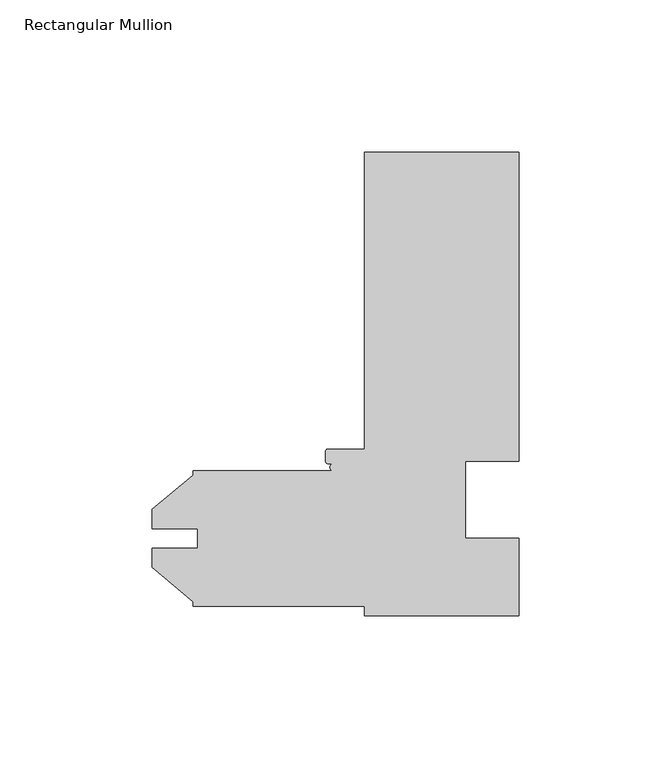
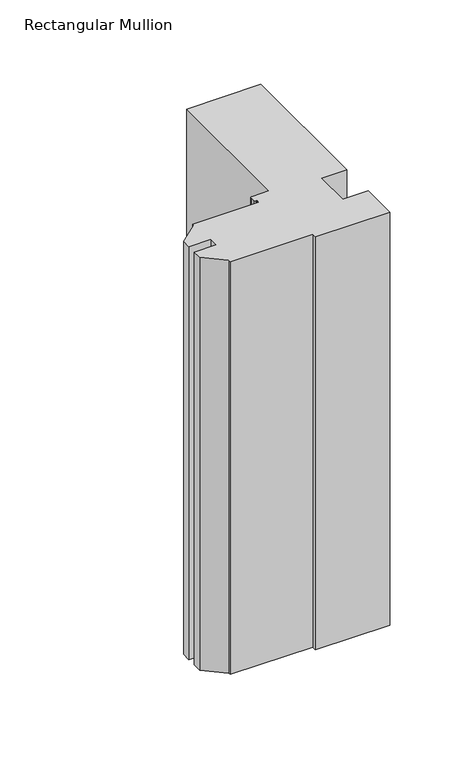
"""IFC4 building model written with IfcOpenShell, lengths in millimetres: member geometry, Rectangular Mullion."""

from ifc_helpers import new_model, si_unit, point, frame, frame_2d, origin, place, context, project, spatial, polyline, circle_curve, trimmed, segment, composite_curve, outline, extrude, source, transform, mapped, element, save


def rectangular_mullion_aefc0b48(model_context):
    return source(origin(), model_context, "Body", "SweptSolid", [
        extrude(outline(composite_curve([segment(polyline([(0.0, 152.4), (0.0, 50.8), (-17.4498, 50.8), (-17.4498, 25.4), (0.0, 25.4), (0.0, 0.0), (-50.8, 0.0), (-50.8, 3.175), (-107.15625, 3.175), (-107.15625, 4.5691667), (-120.61825, 15.865126), (-120.61825, 22.2353979), (-105.58145, 22.2353979), (-105.58145, 28.5595221), (-120.61825, 28.5595221), (-120.61825, 34.929794), (-107.15625, 46.2257533), (-107.15625, 47.625), (-60.9142594, 47.625)]), True, "CONTINUOUS"), segment(trimmed(circle_curve(frame_2d((-60.9142594, 48.8188)), 1.1938), [point((-60.9142594, 47.625))], [point((-60.9142594, 50.0126))], False, "CARTESIAN"), True, "CONTINUOUS"), segment(polyline([(-60.9142594, 50.0126), (-62.7126, 50.0126)]), True, "CONTINUOUS"), segment(trimmed(circle_curve(frame_2d((-62.7126, 50.8)), 0.7874), [point((-62.7126, 50.0126))], [point((-63.5, 50.8))], False, "CARTESIAN"), True, "CONTINUOUS"), segment(polyline([(-63.5, 50.8), (-63.5, 54.0004)]), True, "CONTINUOUS"), segment(trimmed(circle_curve(frame_2d((-62.7126, 54.0004)), 0.7874), [point((-63.5, 54.0004))], [point((-62.7126, 54.7878))], False, "CARTESIAN"), True, "CONTINUOUS"), segment(polyline([(-62.7126, 54.7878), (-50.8, 54.7878), (-50.8, 152.4), (0.0, 152.4)]), True, "CONTINUOUS")], self_intersect=False)), frame((0.0, 0.0, -298.48175), z_axis=(0.0, 0.0, 1.0), x_axis=(1.0, 0.0, 0.0)), (0.0, 0.0, 1.0), 298.48175),
    ])


if __name__ == "__main__":
    model = new_model("IFC4")
    model_context = context("Model", 3, world=origin())
    ifc_project = project(units=[si_unit("LENGTHUNIT", "METRE", prefix="MILLI")], contexts=[model_context])
    site = spatial("IfcSite", under=ifc_project)
    building = spatial("IfcBuilding", under=site)
    placement = place(None, origin())
    rectangular_mullion_shape = rectangular_mullion_aefc0b48(model_context)
    element("IfcMember", 1, ObjectType="Rectangular Mullion", at=placement, inside=building, context=model_context, shape_type="MappedRepresentation", body=[
        mapped(rectangular_mullion_shape, transform((0.0, 0.0, 0.0), x_axis=(1.0, 0.0, 0.0), y_axis=(0.0, 1.0, 0.0), z_axis=(0.0, 0.0, 1.0))),
    ])
    save(model, "model.ifc")
